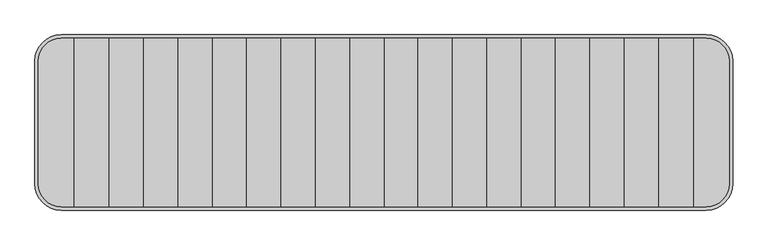
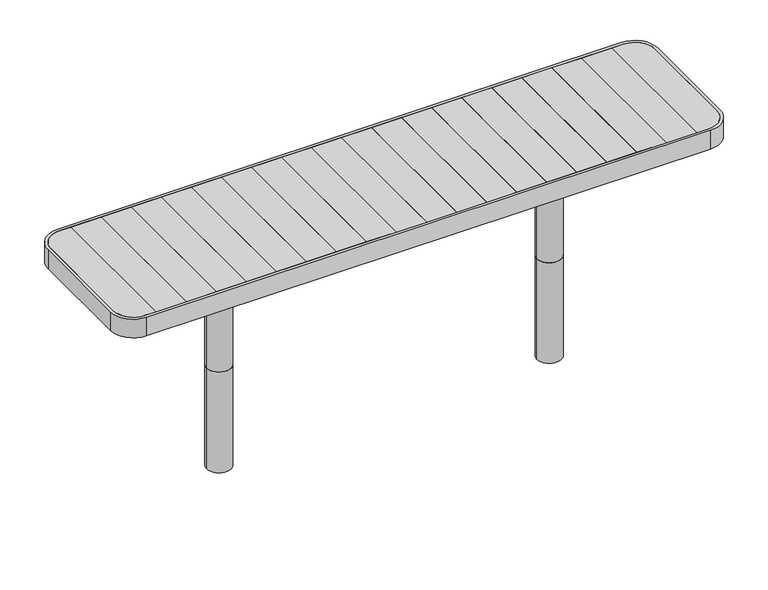
"""IFC4 building model written with IfcOpenShell, lengths in millimetres: furniture geometry."""

from ifc_helpers import new_model, si_unit, point, frame, frame_2d, origin, origin_with_axes, place, context, project, spatial, polyline, circle_curve, trimmed, segment, composite_curve, outline, extrude, source, transform, mapped, element, save
from ifc_brep_helpers import plane_surface, cylinder_surface, advanced_brep


def furniture_d5b5e15a(model_context):
    return source(origin(), model_context, "Body", "SolidModel", [
        extrude(outline(polyline([(-789.6, -242.0), (-888.3, -242.0), (-888.3, 242.0), (-789.6, 242.0), (-789.6, -242.0)])), frame((0.0, 0.0, 422.0), z_axis=(0.0, 0.0, 1.0), x_axis=(1.0, 0.0, 0.0)), (0.0, 0.0, 1.0), 28.0),
        extrude(outline(polyline([(-690.9, -242.0), (-789.6, -242.0), (-789.6, 242.0), (-690.9, 242.0), (-690.9, -242.0)])), frame((0.0, 0.0, 422.0), z_axis=(0.0, 0.0, 1.0), x_axis=(1.0, 0.0, 0.0)), (0.0, 0.0, 1.0), 28.0),
        extrude(outline(polyline([(-592.2, -242.0), (-690.9, -242.0), (-690.9, 242.0), (-592.2, 242.0), (-592.2, -242.0)])), frame((0.0, 0.0, 422.0), z_axis=(0.0, 0.0, 1.0), x_axis=(1.0, 0.0, 0.0)), (0.0, 0.0, 1.0), 28.0),
        extrude(outline(polyline([(-493.5, -242.0), (-592.2, -242.0), (-592.2, 242.0), (-493.5, 242.0), (-493.5, -242.0)])), frame((0.0, 0.0, 422.0), z_axis=(0.0, 0.0, 1.0), x_axis=(1.0, 0.0, 0.0)), (0.0, 0.0, 1.0), 28.0),
        extrude(outline(polyline([(-394.8, -242.0), (-493.5, -242.0), (-493.5, 242.0), (-394.8, 242.0), (-394.8, -242.0)])), frame((0.0, 0.0, 422.0), z_axis=(0.0, 0.0, 1.0), x_axis=(1.0, 0.0, 0.0)), (0.0, 0.0, 1.0), 28.0),
        extrude(outline(polyline([(-296.1, -242.0), (-394.8, -242.0), (-394.8, 242.0), (-296.1, 242.0), (-296.1, -242.0)])), frame((0.0, 0.0, 422.0), z_axis=(0.0, 0.0, 1.0), x_axis=(1.0, 0.0, 0.0)), (0.0, 0.0, 1.0), 28.0),
        extrude(outline(composite_curve([segment(polyline([(-991.9176702, -177.0), (-991.9176702, 177.0)]), True, "CONTINUOUS"), segment(trimmed(circle_curve(frame_2d((-926.9176702, 177.0)), 65.0), [point((-991.9176702, 177.0))], [point((-926.9176702, 242.0))], False, "CARTESIAN"), True, "CONTINUOUS"), segment(polyline([(-926.9176702, 242.0), (-888.3, 242.0), (-888.3, -242.0), (-926.9176702, -242.0)]), True, "CONTINUOUS"), segment(trimmed(circle_curve(frame_2d((-926.9176702, -177.0)), 65.0), [point((-926.9176702, -242.0))], [point((-991.9176702, -177.0))], False, "CARTESIAN"), True, "CONTINUOUS")], self_intersect=False)), frame((0.0, 0.0, 422.0), z_axis=(0.0, 0.0, 1.0), x_axis=(1.0, 0.0, 0.0)), (0.0, 0.0, 1.0), 28.0),
        extrude(outline(polyline([(-197.4, -242.0), (-296.1, -242.0), (-296.1, 242.0), (-197.4, 242.0), (-197.4, -242.0)])), frame((0.0, 0.0, 422.0), z_axis=(0.0, 0.0, 1.0), x_axis=(1.0, 0.0, 0.0)), (0.0, 0.0, 1.0), 28.0),
        extrude(outline(polyline([(-98.7, -242.0), (-197.4, -242.0), (-197.4, 242.0), (-98.7, 242.0), (-98.7, -242.0)])), frame((0.0, 0.0, 422.0), z_axis=(0.0, 0.0, 1.0), x_axis=(1.0, 0.0, 0.0)), (0.0, 0.0, 1.0), 28.0),
        extrude(outline(polyline([(0.0, -242.0), (-98.7, -242.0), (-98.7, 242.0), (0.0, 242.0), (0.0, -242.0)])), frame((0.0, 0.0, 422.0), z_axis=(0.0, 0.0, 1.0), x_axis=(1.0, 0.0, 0.0)), (0.0, 0.0, 1.0), 28.0),
        extrude(outline(polyline([(888.3, -242.0), (789.6, -242.0), (789.6, 242.0), (888.3, 242.0), (888.3, -242.0)])), frame((0.0, 0.0, 422.0), z_axis=(0.0, 0.0, 1.0), x_axis=(1.0, 0.0, 0.0)), (0.0, 0.0, 1.0), 28.0),
        extrude(outline(polyline([(789.6, -242.0), (690.9, -242.0), (690.9, 242.0), (789.6, 242.0), (789.6, -242.0)])), frame((0.0, 0.0, 422.0), z_axis=(0.0, 0.0, 1.0), x_axis=(1.0, 0.0, 0.0)), (0.0, 0.0, 1.0), 28.0),
        extrude(outline(polyline([(690.9, -242.0), (592.2, -242.0), (592.2, 242.0), (690.9, 242.0), (690.9, -242.0)])), frame((0.0, 0.0, 422.0), z_axis=(0.0, 0.0, 1.0), x_axis=(1.0, 0.0, 0.0)), (0.0, 0.0, 1.0), 28.0),
        extrude(outline(polyline([(592.2, -242.0), (493.5, -242.0), (493.5, 242.0), (592.2, 242.0), (592.2, -242.0)])), frame((0.0, 0.0, 422.0), z_axis=(0.0, 0.0, 1.0), x_axis=(1.0, 0.0, 0.0)), (0.0, 0.0, 1.0), 28.0),
        extrude(outline(polyline([(493.5, -242.0), (394.8, -242.0), (394.8, 242.0), (493.5, 242.0), (493.5, -242.0)])), frame((0.0, 0.0, 422.0), z_axis=(0.0, 0.0, 1.0), x_axis=(1.0, 0.0, 0.0)), (0.0, 0.0, 1.0), 28.0),
        extrude(outline(polyline([(394.8, -242.0), (296.1, -242.0), (296.1, 242.0), (394.8, 242.0), (394.8, -242.0)])), frame((0.0, 0.0, 422.0), z_axis=(0.0, 0.0, 1.0), x_axis=(1.0, 0.0, 0.0)), (0.0, 0.0, 1.0), 28.0),
        extrude(outline(composite_curve([segment(trimmed(circle_curve(frame_2d((926.9176702, -177.0)), 65.0), [point((991.9176702, -177.0))], [point((926.9176702, -242.0))], False, "CARTESIAN"), True, "CONTINUOUS"), segment(polyline([(926.9176702, -242.0), (888.3, -242.0), (888.3, 242.0), (926.9176702, 242.0)]), True, "CONTINUOUS"), segment(trimmed(circle_curve(frame_2d((926.9176702, 177.0)), 65.0), [point((926.9176702, 242.0))], [point((991.9176702, 177.0))], False, "CARTESIAN"), True, "CONTINUOUS"), segment(polyline([(991.9176702, 177.0), (991.9176702, -177.0)]), True, "CONTINUOUS")], self_intersect=False)), frame((0.0, 0.0, 422.0), z_axis=(0.0, 0.0, 1.0), x_axis=(1.0, 0.0, 0.0)), (0.0, 0.0, 1.0), 28.0),
        extrude(outline(polyline([(296.1, -242.0), (197.4, -242.0), (197.4, 242.0), (296.1, 242.0), (296.1, -242.0)])), frame((0.0, 0.0, 422.0), z_axis=(0.0, 0.0, 1.0), x_axis=(1.0, 0.0, 0.0)), (0.0, 0.0, 1.0), 28.0),
        extrude(outline(polyline([(197.4, -242.0), (98.7, -242.0), (98.7, 242.0), (197.4, 242.0), (197.4, -242.0)])), frame((0.0, 0.0, 422.0), z_axis=(0.0, 0.0, 1.0), x_axis=(1.0, 0.0, 0.0)), (0.0, 0.0, 1.0), 28.0),
        extrude(outline(polyline([(98.7, -242.0), (0.0, -242.0), (0.0, 242.0), (98.7, 242.0), (98.7, -242.0)])), frame((0.0, 0.0, 422.0), z_axis=(0.0, 0.0, 1.0), x_axis=(1.0, 0.0, 0.0)), (0.0, 0.0, 1.0), 28.0),
        extrude(outline(composite_curve([segment(trimmed(circle_curve(frame_2d((542.8271918, 0.0)), 40.0), [point((582.8271918, 0.0))], [point((502.8271918, 0.0))], False, "CARTESIAN"), True, "CONTINUOUS"), segment(trimmed(circle_curve(frame_2d((542.8271918, 0.0)), 40.0), [point((502.8271918, 0.0))], [point((582.8271918, 0.0))], False, "CARTESIAN"), True, "CONTINUOUS")], self_intersect=False)), origin_with_axes(), (0.0, 0.0, 1.0), 418.0),
        extrude(outline(composite_curve([segment(trimmed(circle_curve(frame_2d((-542.8271918, 0.0)), 40.0), [point((-582.8271918, 0.0))], [point((-502.8271918, 0.0))], False, "CARTESIAN"), True, "CONTINUOUS"), segment(trimmed(circle_curve(frame_2d((-542.8271918, 0.0)), 40.0), [point((-502.8271918, 0.0))], [point((-582.8271918, 0.0))], False, "CARTESIAN"), True, "CONTINUOUS")], self_intersect=False)), origin_with_axes(), (0.0, 0.0, 1.0), 418.0),
        advanced_brep(
        [(-991.9176702, 177.0, 422.0), (-991.9176702, -177.0, 422.0), (-926.9176702, -242.0, 422.0), (926.9176702, -242.0, 422.0), (991.9176702, -177.0, 422.0), (991.9176702, 177.0, 422.0), (926.9176702, 242.0, 422.0), (-926.9176702, 242.0, 422.0), (893.3, 141.9868511, 422.0), (893.3, -142.0, 422.0), (583.3785308, -142.0, 422.0), (583.3785308, 142.0, 422.0), (-893.3, -142.0, 422.0), (-893.3, 141.9868511, 422.0), (-583.3785308, 141.9868511, 422.0), (-583.3785308, -142.0, 422.0), (-502.3618569, 141.9868511, 422.0), (502.3618569, 141.9868511, 422.0), (502.3618569, -142.0, 422.0), (-502.3618569, -142.0, 422.0), (-991.9176702, 177.0, 418.0), (-926.9176702, 242.0, 418.0), (926.9176702, 242.0, 418.0), (991.9176702, 177.0, 418.0), (991.9176702, -177.0, 418.0), (926.9176702, -242.0, 418.0), (-926.9176702, -242.0, 418.0), (-991.9176702, -177.0, 418.0), (893.3, -142.0, 418.0), (893.3, 141.9868511, 418.0), (583.3785308, 141.9868511, 418.0), (583.3785308, -142.0, 418.0), (-893.3, 141.9868511, 418.0), (-893.3, -142.0, 418.0), (-583.3785308, -142.0, 418.0), (-583.3785308, 142.0, 418.0), (-502.3618569, -142.0, 418.0), (502.3618569, -142.0, 418.0), (502.3618569, 142.0, 418.0), (-502.3618569, 141.9868511, 418.0)],
        [
            (0, 1),
            (1, 2, circle_curve(frame((-926.9176702, -177.0, 422.0), z_axis=(0.0, 0.0, 1.0), x_axis=(1.0, 0.0, 0.0)), 65.0)),
            (2, 3),
            (3, 4, circle_curve(frame((926.9176702, -177.0, 422.0), z_axis=(0.0, 0.0, 1.0), x_axis=(-1.0, 0.0, 0.0)), 65.0)),
            (4, 5),
            (5, 6, circle_curve(frame((926.9176702, 177.0, 422.0), z_axis=(0.0, 0.0, 1.0), x_axis=(-1.0, 0.0, 0.0)), 65.0)),
            (6, 7),
            (7, 0, circle_curve(frame((-926.9176702, 177.0, 422.0), z_axis=(0.0, 0.0, 1.0), x_axis=(1.0, 0.0, 0.0)), 65.0)),
            (8, 9),
            (9, 10),
            (10, 11),
            (11, 8),
            (12, 13),
            (13, 14),
            (14, 15),
            (15, 12),
            (16, 17),
            (17, 18),
            (18, 19),
            (19, 16),
            (20, 21, circle_curve(frame((-926.9176702, 177.0, 418.0), z_axis=(0.0, 0.0, -1.0), x_axis=(1.0, 0.0, 0.0)), 65.0)),
            (21, 22),
            (22, 23, circle_curve(frame((926.9176702, 177.0, 418.0), z_axis=(0.0, 0.0, -1.0), x_axis=(-1.0, 0.0, 0.0)), 65.0)),
            (23, 24),
            (24, 25, circle_curve(frame((926.9176702, -177.0, 418.0), z_axis=(0.0, 0.0, -1.0), x_axis=(-1.0, 0.0, 0.0)), 65.0)),
            (25, 26),
            (26, 27, circle_curve(frame((-926.9176702, -177.0, 418.0), z_axis=(0.0, 0.0, -1.0), x_axis=(1.0, 0.0, 0.0)), 65.0)),
            (27, 20),
            (28, 29),
            (29, 30),
            (30, 31),
            (31, 28),
            (32, 33),
            (33, 34),
            (34, 35),
            (35, 32),
            (36, 37),
            (37, 38),
            (38, 39),
            (39, 36),
            (0, 20),
            (27, 1),
            (26, 2),
            (25, 3),
            (24, 4),
            (23, 5),
            (22, 6),
            (21, 7),
            (29, 8),
            (11, 30),
            (13, 32),
            (35, 14),
            (16, 39),
            (38, 17),
            (28, 9),
            (31, 10),
            (33, 12),
            (15, 34),
            (36, 19),
            (18, 37),
        ],
        [
            plane_surface(frame((-991.9176702, -177.0, 422.0), z_axis=(0.0, 0.0, 1.0), x_axis=(0.0, -1.0, 0.0))),
            plane_surface(frame((-991.9176702, -177.0, 418.0), z_axis=(0.0, 0.0, -1.0), x_axis=(0.0, 1.0, 0.0))),
            plane_surface(frame((-991.9176702, 177.0, 422.0), z_axis=(-1.0, 0.0, 0.0), x_axis=(0.0, 0.0, -1.0))),
            cylinder_surface(frame((-926.9176702, -177.0, 418.0), z_axis=(0.0, 0.0, 1.0), x_axis=(1.0, 0.0, 0.0)), 65.0),
            plane_surface(frame((-926.9176702, -242.0, 422.0), z_axis=(0.0, -1.0, 0.0), x_axis=(0.0, 0.0, -1.0))),
            cylinder_surface(frame((926.9176702, -177.0, 418.0), z_axis=(0.0, 0.0, 1.0), x_axis=(-1.0, 0.0, 0.0)), 65.0),
            plane_surface(frame((991.9176702, -177.0, 422.0), z_axis=(1.0, 0.0, 0.0), x_axis=(0.0, 0.0, -1.0))),
            cylinder_surface(frame((926.9176702, 177.0, 418.0), z_axis=(0.0, 0.0, 1.0), x_axis=(-1.0, 0.0, 0.0)), 65.0),
            plane_surface(frame((926.9176702, 242.0, 422.0), z_axis=(0.0, 1.0, 0.0), x_axis=(0.0, 0.0, -1.0))),
            cylinder_surface(frame((-926.9176702, 177.0, 418.0), z_axis=(0.0, 0.0, 1.0), x_axis=(1.0, 0.0, 0.0)), 65.0),
            plane_surface(frame((-893.3, 141.9868511, 422.0), z_axis=(0.0, -1.0, 0.0), x_axis=(0.0, 0.0, -1.0))),
            plane_surface(frame((893.3, 141.9868511, 422.0), z_axis=(-1.0, 0.0, 0.0), x_axis=(0.0, 0.0, -1.0))),
            plane_surface(frame((893.3, -142.0, 422.0), z_axis=(0.0, 1.0, 0.0), x_axis=(0.0, 0.0, -1.0))),
            plane_surface(frame((-893.3, -142.0, 422.0), z_axis=(1.0, 0.0, 0.0), x_axis=(0.0, 0.0, -1.0))),
            plane_surface(frame((-583.3785308, -142.0, 422.0), z_axis=(-1.0, 0.0, 0.0), x_axis=(0.0, 1.0, 0.0))),
            plane_surface(frame((-502.3618569, -142.0, 418.0), z_axis=(1.0, 0.0, 0.0), x_axis=(0.0, 1.0, 0.0))),
            plane_surface(frame((583.3785308, -142.0, 418.0), z_axis=(1.0, 0.0, 0.0), x_axis=(0.0, 1.0, 0.0))),
            plane_surface(frame((502.3618569, -142.0, 422.0), z_axis=(-1.0, 0.0, 0.0), x_axis=(0.0, 1.0, 0.0))),
        ],
        [
            (0, [[1, 2, 3, 4, 5, 6, 7, 8], [9, 10, 11, 12], [13, 14, 15, 16], [17, 18, 19, 20]]),
            (1, [[21, 22, 23, 24, 25, 26, 27, 28], [29, 30, 31, 32], [33, 34, 35, 36], [37, 38, 39, 40]]),
            (2, [[-1, 41, -28, 42]]),
            (3, [[-2, -42, -27, 43]]),
            (4, [[-3, -43, -26, 44]]),
            (5, [[-4, -44, -25, 45]]),
            (6, [[-5, -45, -24, 46]]),
            (7, [[-6, -46, -23, 47]]),
            (8, [[-7, -47, -22, 48]]),
            (9, [[-8, -48, -21, -41]]),
            (10, [[49, -12, 50, -30]]),
            (10, [[51, -36, 52, -14]]),
            (10, [[53, -39, 54, -17]]),
            (11, [[-9, -49, -29, 55]]),
            (12, [[-55, -32, 56, -10]]),
            (12, [[57, -16, 58, -34]]),
            (12, [[59, -19, 60, -37]]),
            (13, [[-13, -57, -33, -51]]),
            (14, [[-35, -58, -15, -52]]),
            (15, [[-40, -53, -20, -59]]),
            (16, [[-31, -50, -11, -56]]),
            (17, [[-38, -60, -18, -54]]),
        ],
    ),
        extrude(outline(composite_curve([segment(polyline([(-1001.9176702, -177.0), (-1001.9176702, 177.0)]), True, "CONTINUOUS"), segment(trimmed(circle_curve(frame_2d((-926.9176702, 177.0)), 75.0), [point((-1001.9176702, 177.0))], [point((-926.9176702, 252.0))], False, "CARTESIAN"), True, "CONTINUOUS"), segment(polyline([(-926.9176702, 252.0), (926.9176702, 252.0)]), True, "CONTINUOUS"), segment(trimmed(circle_curve(frame_2d((926.9176702, 177.0)), 75.0), [point((926.9176702, 252.0))], [point((1001.9176702, 177.0))], False, "CARTESIAN"), True, "CONTINUOUS"), segment(polyline([(1001.9176702, 177.0), (1001.9176702, -177.0)]), True, "CONTINUOUS"), segment(trimmed(circle_curve(frame_2d((926.9176702, -177.0)), 75.0), [point((1001.9176702, -177.0))], [point((926.9176702, -252.0))], False, "CARTESIAN"), True, "CONTINUOUS"), segment(polyline([(926.9176702, -252.0), (-926.9176702, -252.0)]), True, "CONTINUOUS"), segment(trimmed(circle_curve(frame_2d((-926.9176702, -177.0)), 75.0), [point((-926.9176702, -252.0))], [point((-1001.9176702, -177.0))], False, "CARTESIAN"), True, "CONTINUOUS")], self_intersect=False), holes=[composite_curve([segment(trimmed(circle_curve(frame_2d((-926.9176702, -177.0)), 65.0), [point((-991.9176702, -177.0))], [point((-926.9176702, -242.0))], True, "CARTESIAN"), True, "CONTINUOUS"), segment(polyline([(-926.9176702, -242.0), (926.9176702, -242.0)]), True, "CONTINUOUS"), segment(trimmed(circle_curve(frame_2d((926.9176702, -177.0)), 65.0), [point((926.9176702, -242.0))], [point((991.9176702, -177.0))], True, "CARTESIAN"), True, "CONTINUOUS"), segment(polyline([(991.9176702, -177.0), (991.9176702, 177.0)]), True, "CONTINUOUS"), segment(trimmed(circle_curve(frame_2d((926.9176702, 177.0)), 65.0), [point((991.9176702, 177.0))], [point((926.9176702, 242.0))], True, "CARTESIAN"), True, "CONTINUOUS"), segment(polyline([(926.9176702, 242.0), (-926.9176702, 242.0)]), True, "CONTINUOUS"), segment(trimmed(circle_curve(frame_2d((-926.9176702, 177.0)), 65.0), [point((-926.9176702, 242.0))], [point((-991.9176702, 177.0))], True, "CARTESIAN"), True, "CONTINUOUS"), segment(polyline([(-991.9176702, 177.0), (-991.9176702, -177.0)]), True, "CONTINUOUS")], self_intersect=False)]), frame((0.0, 0.0, 385.0000413), z_axis=(0.0, 0.0, 1.0), x_axis=(1.0, 0.0, 0.0)), (0.0, 0.0, 1.0), 64.9999587),
        extrude(outline(composite_curve([segment(trimmed(circle_curve(frame_2d((542.8271918, 0.0)), 40.0), [point((582.8271918, 0.0))], [point((502.8271918, 0.0))], False, "CARTESIAN"), True, "CONTINUOUS"), segment(trimmed(circle_curve(frame_2d((542.8271918, 0.0)), 40.0), [point((502.8271918, 0.0))], [point((582.8271918, 0.0))], False, "CARTESIAN"), True, "CONTINUOUS")], self_intersect=False)), frame((0.0, 0.0, -350.0), z_axis=(0.0, 0.0, 1.0), x_axis=(1.0, 0.0, 0.0)), (0.0, 0.0, 1.0), 350.0),
        extrude(outline(composite_curve([segment(trimmed(circle_curve(frame_2d((-542.8271918, 0.0)), 40.0), [point((-582.8271918, 0.0))], [point((-502.8271918, 0.0))], False, "CARTESIAN"), True, "CONTINUOUS"), segment(trimmed(circle_curve(frame_2d((-542.8271918, 0.0)), 40.0), [point((-502.8271918, 0.0))], [point((-582.8271918, 0.0))], False, "CARTESIAN"), True, "CONTINUOUS")], self_intersect=False)), frame((0.0, 0.0, -350.0), z_axis=(0.0, 0.0, 1.0), x_axis=(1.0, 0.0, 0.0)), (0.0, 0.0, 1.0), 350.0),
    ])


if __name__ == "__main__":
    model = new_model("IFC4")
    model_context = context("Model", 3, world=origin())
    ifc_project = project(units=[si_unit("LENGTHUNIT", "METRE", prefix="MILLI")], contexts=[model_context])
    site = spatial("IfcSite", under=ifc_project)
    building = spatial("IfcBuilding", under=site)
    placement = place(None, origin())
    furniture_shape = furniture_d5b5e15a(model_context)
    element("IfcFurniture", 1, at=placement, inside=building, context=model_context, shape_type="MappedRepresentation", body=[
        mapped(furniture_shape, transform((0.0, 0.0, 0.0), x_axis=(1.0, 0.0, 0.0), y_axis=(0.0, 1.0, 0.0), z_axis=(0.0, 0.0, 1.0))),
    ])
    save(model, "model.ifc")
